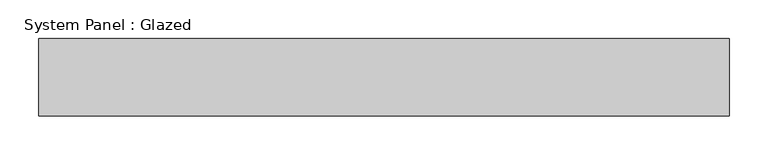
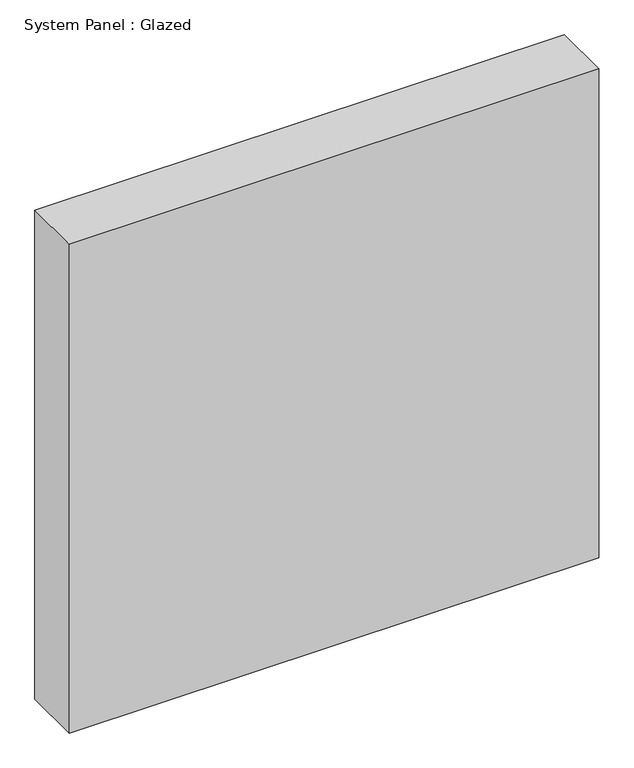
"""IFC4 building model written with IfcOpenShell, lengths in millimetres: plate geometry, System Panel : Glazed."""

from ifc_helpers import new_model, si_unit, origin, origin_with_axes, place, context, project, spatial, polyline, outline, extrude, source, transform, mapped, element, save


def system_panel_glazed_68f1bafd(model_context):
    return source(origin(), model_context, "Body", "SweptSolid", [
        extrude(outline(polyline([(445.8333333, 50.0), (-445.8333333, 50.0), (-445.8333333, 150.0), (445.8333333, 150.0), (445.8333333, 50.0)])), origin_with_axes(), (0.0, 0.0, 1.0), 870.0),
    ])


if __name__ == "__main__":
    model = new_model("IFC4")
    model_context = context("Model", 3, world=origin())
    ifc_project = project(units=[si_unit("LENGTHUNIT", "METRE", prefix="MILLI")], contexts=[model_context])
    site = spatial("IfcSite", under=ifc_project)
    building = spatial("IfcBuilding", under=site)
    placement = place(None, origin())
    system_panel_glazed_shape = system_panel_glazed_68f1bafd(model_context)
    element("IfcPlate", 1, ObjectType="System Panel : Glazed", at=placement, inside=building, context=model_context, shape_type="MappedRepresentation", body=[
        mapped(system_panel_glazed_shape, transform((0.0, 0.0, 0.0), x_axis=(1.0, 0.0, 0.0), y_axis=(0.0, 1.0, 0.0), z_axis=(0.0, 0.0, 1.0))),
    ])
    save(model, "model.ifc")
